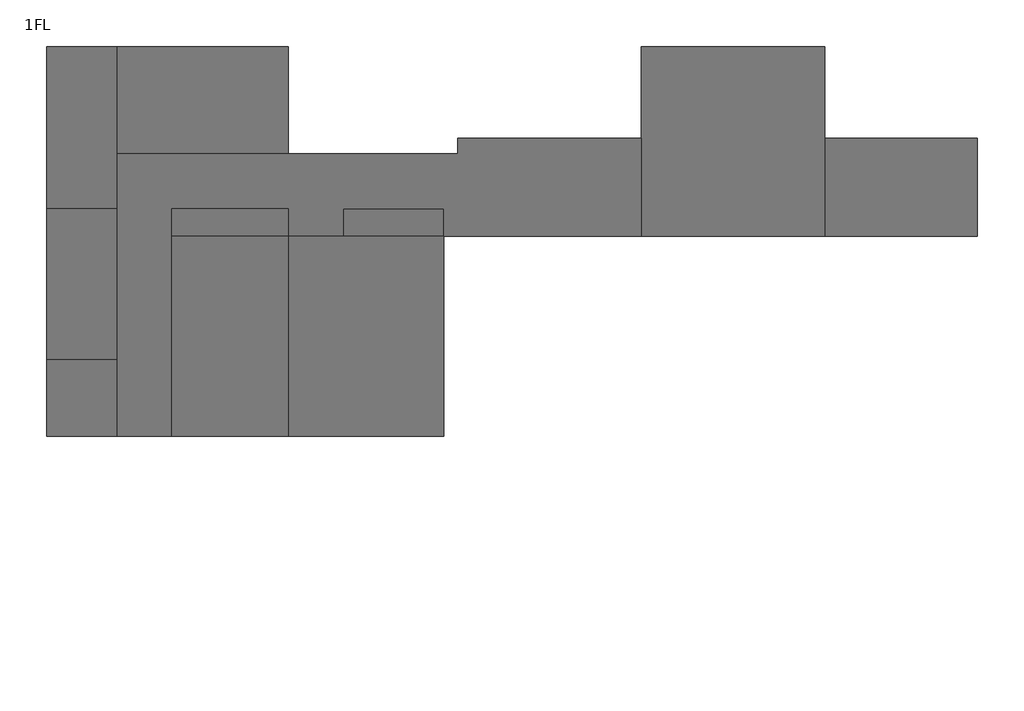
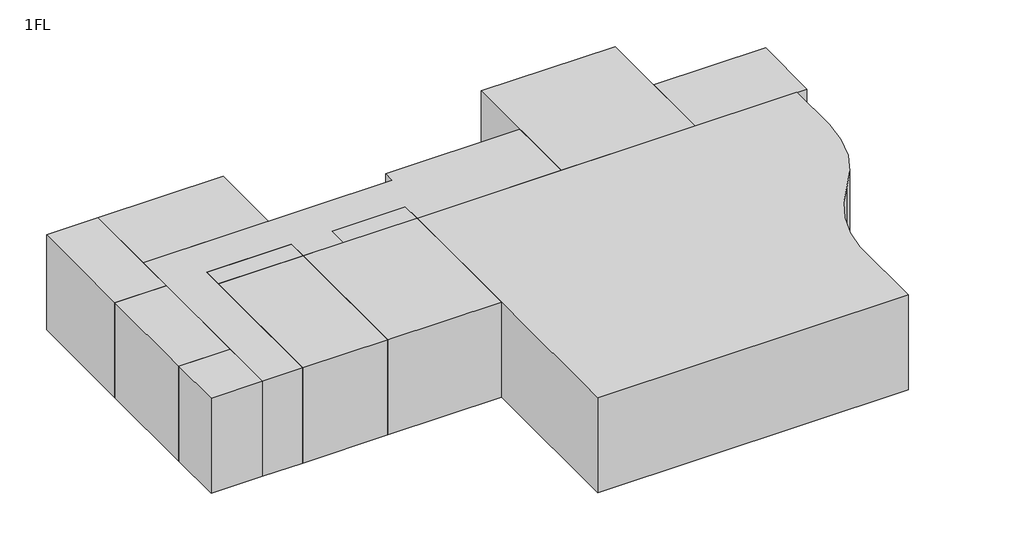
# One storey: 12 proxies.
"""IFC4 building model written with IfcOpenShell, lengths in millimetres."""

from ifc_helpers import new_model, si_unit, point, frame, frame_2d, origin, place, context, project, spatial, polyline, circle_curve, trimmed, segment, composite_curve, outline, extrude, element, save

model = new_model("IFC4")

# Units and contexts
model_context = context("Model", 3, world=origin())
ifc_project = project(units=[si_unit("LENGTHUNIT", "METRE", prefix="MILLI")], contexts=[model_context])

# Site, building, storey
site = spatial("IfcSite", under=ifc_project)
building = spatial("IfcBuilding", under=site)
storey = spatial("IfcBuildingStorey", under=building, Name="1FL", Elevation=100.0)

# Proxies
placement = place(None, origin())
element("IfcBuildingElementProxy", 1, Name="Mass", at=placement, inside=storey, context=model_context, shape_type="SweptSolid", body=[
    extrude(outline(composite_curve([segment(polyline([(1154.0215975, 10449.6868987), (1154.0215975, 7949.6868987)]), True, "CONTINUOUS"), segment(trimmed(circle_curve(frame_2d((-4969.3732678, 7971.6034521)), 6123.4340865), [point((1154.0215975, 7949.6868987))], [point((-395.9784025, 3899.6868987))], False, "CARTESIAN"), True, "CONTINUOUS"), segment(trimmed(circle_curve(frame_2d((4214.6177511, -205.3517764)), 6173.2438325), [point((-395.9784025, 3899.6868987))], [point((-1945.9784025, 189.6095485))], True, "CARTESIAN"), True, "CONTINUOUS"), segment(polyline([(-1945.9784025, 189.6095485), (-1945.9784025, -3550.3131013), (-15845.9784025, -3550.3131013), (-15845.9784025, 10449.6868987), (1154.0215975, 10449.6868987)]), True, "CONTINUOUS")], self_intersect=False)), frame((0.0, 0.0, 100.0), z_axis=(0.0, 0.0, 1.0), x_axis=(1.0, 0.0, 0.0)), (0.0, 0.0, 1.0), 4500.0),
])
element("IfcBuildingElementProxy", 2, Name="Mass", at=placement, inside=storey, context=model_context, shape_type="SweptSolid", body=[
    extrude(outline(polyline([(-3395.9784025, 16649.6868987), (-3395.9784025, 10449.6868987), (-9395.9784025, 10449.6868987), (-9395.9784025, 16649.6868987), (-3395.9784025, 16649.6868987)])), frame((0.0, 0.0, 100.0), z_axis=(0.0, 0.0, 1.0), x_axis=(1.0, 0.0, 0.0)), (0.0, 0.0, 1.0), 4500.0),
])
element("IfcBuildingElementProxy", 3, Name="Mass", at=placement, inside=storey, context=model_context, shape_type="SweptSolid", body=[
    extrude(outline(polyline([(1604.0215975, 13649.6868987), (1604.0215975, 10449.6868987), (-3395.9784025, 10449.6868987), (-3395.9784025, 13649.6868987), (1604.0215975, 13649.6868987)])), frame((0.0, 0.0, 100.0), z_axis=(0.0, 0.0, 1.0), x_axis=(1.0, 0.0, 0.0)), (0.0, 0.0, 1.0), 4500.0),
])
element("IfcBuildingElementProxy", 4, Name="Mass", at=placement, inside=storey, context=model_context, shape_type="SweptSolid", body=[
    extrude(outline(polyline([(-15845.9784025, 10449.6868987), (-15845.9784025, 3899.6868987), (-20945.9784025, 3899.6868987), (-20945.9784025, 10449.6868987), (-15845.9784025, 10449.6868987)])), frame((0.0, 0.0, 100.0), z_axis=(0.0, 0.0, 1.0), x_axis=(1.0, 0.0, 0.0)), (0.0, 0.0, 1.0), 4500.0),
])
element("IfcBuildingElementProxy", 5, Name="Mass", at=placement, inside=storey, context=model_context, shape_type="SweptSolid", body=[
    extrude(outline(polyline([(-20945.9784025, 10449.6868987), (-20945.9784025, 3899.6868987), (-24745.9784025, 3899.6868987), (-24745.9784025, 10449.6868987), (-20945.9784025, 10449.6868987)])), frame((0.0, 0.0, 100.0), z_axis=(0.0, 0.0, 1.0), x_axis=(1.0, 0.0, 0.0)), (0.0, 0.0, 1.0), 4500.0),
])
element("IfcBuildingElementProxy", 6, Name="Mass", at=placement, inside=storey, context=model_context, shape_type="SweptSolid", body=[
    extrude(outline(polyline([(-26545.9784025, 6399.6868987), (-26545.9784025, 3899.6868987), (-28845.9784025, 3899.6868987), (-28845.9784025, 6399.6868987), (-26545.9784025, 6399.6868987)])), frame((0.0, 0.0, 100.0), z_axis=(0.0, 0.0, 1.0), x_axis=(1.0, 0.0, 0.0)), (0.0, 0.0, 1.0), 4500.0),
])
element("IfcBuildingElementProxy", 7, Name="Mass", at=placement, inside=storey, context=model_context, shape_type="SweptSolid", body=[
    extrude(outline(polyline([(-26545.9784025, 11349.6868987), (-26545.9784025, 6399.6868987), (-28845.9784025, 6399.6868987), (-28845.9784025, 11349.6868987), (-26545.9784025, 11349.6868987)])), frame((0.0, 0.0, 100.0), z_axis=(0.0, 0.0, 1.0), x_axis=(1.0, 0.0, 0.0)), (0.0, 0.0, 1.0), 4500.0),
])
element("IfcBuildingElementProxy", 8, Name="Mass", at=placement, inside=storey, context=model_context, shape_type="SweptSolid", body=[
    extrude(outline(polyline([(-20945.9784025, 11349.6868987), (-20945.9784025, 10449.6868987), (-24745.9784025, 10449.6868987), (-24745.9784025, 11349.6868987), (-20945.9784025, 11349.6868987)])), frame((0.0, 0.0, 100.0), z_axis=(0.0, 0.0, 1.0), x_axis=(1.0, 0.0, 0.0)), (0.0, 0.0, 1.0), 4500.0),
])
element("IfcBuildingElementProxy", 9, Name="Mass", at=placement, inside=storey, context=model_context, shape_type="SweptSolid", body=[
    extrude(outline(polyline([(-15845.9784025, 11349.6868987), (-15845.9784025, 10449.6868987), (-19145.9784025, 10449.6868987), (-19145.9784025, 11349.6868987), (-15845.9784025, 11349.6868987)])), frame((0.0, 0.0, 100.0), z_axis=(0.0, 0.0, 1.0), x_axis=(1.0, 0.0, 0.0)), (0.0, 0.0, 1.0), 4500.0),
])
element("IfcBuildingElementProxy", 10, Name="Mass", at=placement, inside=storey, context=model_context, shape_type="SweptSolid", body=[
    extrude(outline(polyline([(-20945.9784025, 13149.6868987), (-26545.9784025, 13149.6868987), (-26545.9784025, 16649.6868987), (-20945.9784025, 16649.6868987), (-20945.9784025, 13149.6868987)])), frame((0.0, 0.0, 100.0), z_axis=(0.0, 0.0, 1.0), x_axis=(1.0, 0.0, 0.0)), (0.0, 0.0, 1.0), 4500.0),
])
element("IfcBuildingElementProxy", 11, Name="Mass", at=placement, inside=storey, context=model_context, shape_type="SweptSolid", body=[
    extrude(outline(polyline([(-26545.9784025, 3899.6868987), (-26545.9784025, 13149.6868987), (-15395.9784025, 13149.6868987), (-15395.9784025, 13649.6868987), (-9395.9784025, 13649.6868987), (-9395.9784025, 10449.6868987), (-15845.9784025, 10449.6868987), (-15845.9784025, 11349.6868987), (-19145.9784025, 11349.6868987), (-19145.9784025, 10449.6868987), (-20945.9784025, 10449.6868987), (-20945.9784025, 11349.6868987), (-24745.9784025, 11349.6868987), (-24745.9784025, 3899.6868987), (-26545.9784025, 3899.6868987)])), frame((0.0, 0.0, 100.0), z_axis=(0.0, 0.0, 1.0), x_axis=(1.0, 0.0, 0.0)), (0.0, 0.0, 1.0), 4500.0),
])
element("IfcBuildingElementProxy", 12, Name="Mass", at=placement, inside=storey, context=model_context, shape_type="SweptSolid", body=[
    extrude(outline(polyline([(-26545.9784025, 11349.6868987), (-28845.9784025, 11349.6868987), (-28845.9784025, 16649.6868987), (-26545.9784025, 16649.6868987), (-26545.9784025, 11349.6868987)])), frame((0.0, 0.0, 100.0), z_axis=(0.0, 0.0, 1.0), x_axis=(1.0, 0.0, 0.0)), (0.0, 0.0, 1.0), 4500.0),
])

save(model, "model.ifc")
